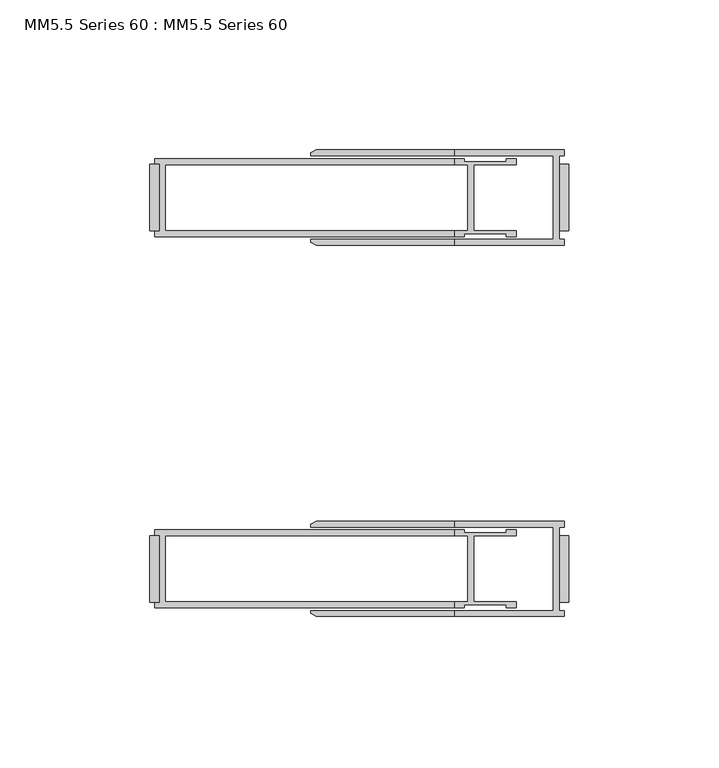
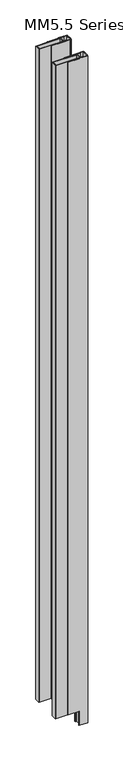
"""IFC4 building model written with IfcOpenShell, lengths in millimetres: proxy geometry, MM5.5 Series 60 : MM5.5 Series 60."""

from ifc_helpers import new_model, si_unit, frame, origin, origin_with_axes, place, context, project, spatial, polyline, outline, extrude, faceted_brep, source, transform, mapped, element, save


def mm5_5_series_60_mm5_5_series_60_e2575cb1(model_context):
    return source(origin(), model_context, "Body", "SolidModel", [
        faceted_brep([(-5.159375, 75.803125, 3048.0), (-5.159375, 48.021875, 3048.0), (-38.1, 48.021875, 3048.0), (-38.1, 46.0375, 3048.0), (-1.5875, 46.0375, 3048.0), (-1.5875, 48.021875, 3048.0), (-3.175, 48.021875, 3048.0), (-3.175, 75.803125, 3048.0), (-1.5875, 75.803125, 3048.0), (-1.5875, 77.7875, 3048.0), (-38.1, 77.7875, 3048.0), (-38.1, 75.803125, 3048.0), (-1.5875, 77.7875, 0.0), (-1.5875, 75.803125, 0.0), (-3.175, 75.803125, 0.0), (-3.175, 48.021875, 0.0), (-1.5875, 48.021875, 0.0), (-1.5875, 46.0375, 0.0), (-38.1, 46.0375, 0.0), (-38.1, 48.021875, 0.0), (-5.159375, 48.021875, 0.0), (-5.159375, 75.803125, 0.0), (-38.1, 75.803125, 0.0), (-38.1, 77.7875, 0.0), (-84.3041371, 77.7875, 63.5), (-86.0226562, 76.7953125, 63.5), (-86.0226562, 76.7953125, 3047.20625), (-84.3041371, 77.7875, 3047.20625), (-86.0226562, 75.803125, 63.5), (-86.0226562, 75.803125, 3047.20625), (-38.1, 75.803125, 3047.20625), (-38.1, 75.803125, 63.5), (-38.1, 48.021875, 63.5), (-86.0226562, 48.021875, 63.5), (-86.0226562, 48.021875, 3047.20625), (-38.1, 48.021875, 3047.20625), (-86.0226562, 47.0296875, 63.5), (-86.0226562, 47.0296875, 3047.20625), (-84.3041371, 46.0375, 63.5), (-84.3041371, 46.0375, 3047.20625), (-38.1, 46.0375, 3047.20625), (-38.1, 46.0375, 63.5), (-38.1, 77.7875, 63.5), (-38.1, 77.7875, 3047.20625)], [[[0, 1, 2, 3, 4, 5, 6, 7, 8, 9, 10, 11]], [[12, 13, 14, 15, 16, 17, 18, 19, 20, 21, 22, 23]], [[24, 25, 26, 27]], [[25, 28, 29, 26]], [[21, 0, 11, 30, 29, 28, 31, 22]], [[1, 0, 21, 20]], [[1, 20, 19, 32, 33, 34, 35, 2]], [[33, 36, 37, 34]], [[36, 38, 39, 37]], [[17, 4, 3, 40, 39, 38, 41, 18]], [[5, 4, 17, 16]], [[6, 5, 16, 15]], [[7, 6, 15, 14]], [[8, 7, 14, 13]], [[9, 8, 13, 12]], [[9, 12, 23, 42, 24, 27, 43, 10]], [[41, 32, 19, 18]], [[31, 42, 23, 22]], [[32, 41, 38, 36, 33]], [[42, 31, 28, 25, 24]], [[40, 35, 34, 37, 39]], [[30, 43, 27, 26, 29]], [[35, 40, 3, 2]], [[43, 30, 11, 10]]]),
        faceted_brep([(-5.159375, -48.021875, 3048.0), (-5.159375, -75.803125, 3048.0), (-38.1, -75.803125, 3048.0), (-38.1, -77.7875, 3048.0), (-1.5875, -77.7875, 3048.0), (-1.5875, -75.803125, 3048.0), (-3.175, -75.803125, 3048.0), (-3.175, -48.021875, 3048.0), (-1.5875, -48.021875, 3048.0), (-1.5875, -46.0375, 3048.0), (-38.1, -46.0375, 3048.0), (-38.1, -48.021875, 3048.0), (-1.5875, -46.0375, 0.0), (-1.5875, -48.021875, 0.0), (-3.175, -48.021875, 0.0), (-3.175, -75.803125, 0.0), (-1.5875, -75.803125, 0.0), (-1.5875, -77.7875, 0.0), (-38.1, -77.7875, 0.0), (-38.1, -75.803125, 0.0), (-5.159375, -75.803125, 0.0), (-5.159375, -48.021875, 0.0), (-38.1, -48.021875, 0.0), (-38.1, -46.0375, 0.0), (-84.3041371, -46.0375, 63.5), (-86.0226562, -47.0296875, 63.5), (-86.0226562, -47.0296875, 3047.20625), (-84.3041371, -46.0375, 3047.20625), (-86.0226562, -48.021875, 63.5), (-86.0226562, -48.021875, 3047.20625), (-38.1, -48.021875, 3047.20625), (-38.1, -48.021875, 63.5), (-38.1, -75.803125, 63.5), (-86.0226562, -75.803125, 63.5), (-86.0226562, -75.803125, 3047.20625), (-38.1, -75.803125, 3047.20625), (-86.0226562, -76.7953125, 63.5), (-86.0226562, -76.7953125, 3047.20625), (-84.3041371, -77.7875, 63.5), (-84.3041371, -77.7875, 3047.20625), (-38.1, -77.7875, 3047.20625), (-38.1, -77.7875, 63.5), (-38.1, -46.0375, 63.5), (-38.1, -46.0375, 3047.20625)], [[[0, 1, 2, 3, 4, 5, 6, 7, 8, 9, 10, 11]], [[12, 13, 14, 15, 16, 17, 18, 19, 20, 21, 22, 23]], [[24, 25, 26, 27]], [[25, 28, 29, 26]], [[21, 0, 11, 30, 29, 28, 31, 22]], [[1, 0, 21, 20]], [[1, 20, 19, 32, 33, 34, 35, 2]], [[33, 36, 37, 34]], [[36, 38, 39, 37]], [[17, 4, 3, 40, 39, 38, 41, 18]], [[5, 4, 17, 16]], [[6, 5, 16, 15]], [[7, 6, 15, 14]], [[8, 7, 14, 13]], [[9, 8, 13, 12]], [[9, 12, 23, 42, 24, 27, 43, 10]], [[41, 32, 19, 18]], [[31, 42, 23, 22]], [[32, 41, 38, 36, 33]], [[42, 31, 28, 25, 24]], [[40, 35, 34, 37, 39]], [[30, 43, 27, 26, 29]], [[35, 40, 3, 2]], [[43, 30, 11, 10]]]),
        extrude(outline(polyline([(-3.175, 50.8), (-3.175, 73.025), (0.0, 73.025), (0.0, 50.8), (-3.175, 50.8)])), origin_with_axes(), (0.0, 0.0, 1.0), 3048.0),
        extrude(outline(polyline([(-3.175, -50.8), (0.0, -50.8), (0.0, -73.025), (-3.175, -73.025), (-3.175, -50.8)])), origin_with_axes(), (0.0, 0.0, 1.0), 3048.0),
        extrude(outline(polyline([(-139.7, 50.8), (-139.7, 73.025), (-136.525, 73.025), (-136.525, 50.8), (-139.7, 50.8)])), frame((0.0, 0.0, 63.5), z_axis=(0.0, 0.0, 1.0), x_axis=(1.0, 0.0, 0.0)), (0.0, 0.0, 1.0), 2983.70625),
        extrude(outline(polyline([(-136.525, -50.8), (-136.525, -73.025), (-139.7, -73.025), (-139.7, -50.8), (-136.525, -50.8)])), frame((0.0, 0.0, 63.5), z_axis=(0.0, 0.0, 1.0), x_axis=(1.0, 0.0, 0.0)), (0.0, 0.0, 1.0), 2983.70625),
        faceted_brep([(-34.8257812, 48.9148437, 3048.0), (-34.8257812, 49.9070312, 3048.0), (-20.8359375, 49.9070312, 3048.0), (-20.8359375, 48.9148437, 3048.0), (-17.4625, 48.9148437, 3048.0), (-17.4625, 50.8992187, 3048.0), (-31.6507812, 50.8992187, 3048.0), (-31.6507812, 72.9257812, 3048.0), (-17.4625, 72.9257812, 3048.0), (-17.4625, 74.9101562, 3048.0), (-20.8359375, 74.9101562, 3048.0), (-20.8359375, 73.9179687, 3048.0), (-34.8257812, 73.9179687, 3048.0), (-34.8257812, 74.9101562, 3048.0), (-38.1, 74.9101562, 3048.0), (-38.1, 72.9257812, 3048.0), (-33.6351562, 72.9257812, 3048.0), (-33.6351562, 50.8992187, 3048.0), (-38.1, 50.8992187, 3048.0), (-38.1, 48.9148437, 3048.0), (-34.8257812, 74.9101562, 0.0), (-34.8257812, 73.9179687, 0.0), (-20.8359375, 73.9179687, 0.0), (-20.8359375, 74.9101562, 0.0), (-17.4625, 74.9101562, 0.0), (-17.4625, 72.9257812, 0.0), (-31.6507812, 72.9257812, 0.0), (-31.6507812, 50.8992187, 0.0), (-17.4625, 50.8992187, 0.0), (-17.4625, 48.9148437, 0.0), (-20.8359375, 48.9148437, 0.0), (-20.8359375, 49.9070312, 0.0), (-34.8257812, 49.9070312, 0.0), (-34.8257812, 48.9148437, 0.0), (-38.1, 48.9148437, 0.0), (-38.1, 50.8992187, 0.0), (-33.6351562, 50.8992187, 0.0), (-33.6351562, 72.9257812, 0.0), (-38.1, 72.9257812, 0.0), (-38.1, 74.9101562, 0.0), (-138.1125, 48.9148437, 3047.20625), (-138.1125, 50.8706437, 3047.20625), (-138.1125, 50.8706437, 63.5), (-138.1125, 48.9148437, 63.5), (-38.1, 48.9148437, 3047.20625), (-38.1, 48.9148437, 63.5), (-38.1, 74.9101562, 63.5), (-138.1125, 74.9101562, 63.5), (-138.1125, 74.9101562, 3047.20625), (-38.1, 74.9101562, 3047.20625), (-138.1125, 72.9543562, 3047.20625), (-138.1125, 72.9543562, 63.5), (-136.525, 72.9543562, 3047.20625), (-136.525, 72.9543562, 63.5), (-136.525, 50.8706437, 3047.20625), (-136.525, 50.8706437, 63.5), (-38.1, 72.9257812, 3047.20625), (-134.540625, 72.9257812, 3047.20625), (-134.540625, 72.9257812, 63.5), (-38.1, 72.9257812, 63.5), (-38.1, 50.8992187, 63.5), (-134.540625, 50.8992187, 63.5), (-134.540625, 50.8992187, 3047.20625), (-38.1, 50.8992187, 3047.20625)], [[[0, 1, 2, 3, 4, 5, 6, 7, 8, 9, 10, 11, 12, 13, 14, 15, 16, 17, 18, 19]], [[20, 21, 22, 23, 24, 25, 26, 27, 28, 29, 30, 31, 32, 33, 34, 35, 36, 37, 38, 39]], [[40, 41, 42, 43]], [[33, 0, 19, 44, 40, 43, 45, 34]], [[1, 0, 33, 32]], [[2, 1, 32, 31]], [[3, 2, 31, 30]], [[4, 3, 30, 29]], [[5, 4, 29, 28]], [[6, 5, 28, 27]], [[7, 6, 27, 26]], [[8, 7, 26, 25]], [[9, 8, 25, 24]], [[10, 9, 24, 23]], [[11, 10, 23, 22]], [[12, 11, 22, 21]], [[13, 12, 21, 20]], [[13, 20, 39, 46, 47, 48, 49, 14]], [[50, 48, 47, 51]], [[52, 50, 51, 53]], [[54, 52, 53, 55]], [[41, 54, 55, 42]], [[37, 16, 15, 56, 57, 58, 59, 38]], [[17, 16, 37, 36]], [[17, 36, 35, 60, 61, 62, 63, 18]], [[57, 62, 61, 58]], [[56, 49, 48, 50, 52, 54, 41, 40, 44, 63, 62, 57]], [[49, 56, 15, 14]], [[63, 44, 19, 18]], [[59, 46, 39, 38]], [[45, 60, 35, 34]], [[46, 59, 58, 61, 60, 45, 43, 42, 55, 53, 51, 47]]]),
        faceted_brep([(-34.8257812, -74.9101563, 3048.0), (-34.8257812, -73.9179688, 3048.0), (-20.8359375, -73.9179688, 3048.0), (-20.8359375, -74.9101563, 3048.0), (-17.4625, -74.9101563, 3048.0), (-17.4625, -72.9257813, 3048.0), (-31.6507812, -72.9257813, 3048.0), (-31.6507812, -50.8992188, 3048.0), (-17.4625, -50.8992188, 3048.0), (-17.4625, -48.9148438, 3048.0), (-20.8359375, -48.9148438, 3048.0), (-20.8359375, -49.9070313, 3048.0), (-34.8257812, -49.9070313, 3048.0), (-34.8257812, -48.9148438, 3048.0), (-38.1, -48.9148438, 3048.0), (-38.1, -50.8992188, 3048.0), (-33.6351562, -50.8992188, 3048.0), (-33.6351562, -72.9257813, 3048.0), (-38.1, -72.9257813, 3048.0), (-38.1, -74.9101563, 3048.0), (-34.8257812, -48.9148438, 0.0), (-34.8257812, -49.9070313, 0.0), (-20.8359375, -49.9070313, 0.0), (-20.8359375, -48.9148438, 0.0), (-17.4625, -48.9148438, 0.0), (-17.4625, -50.8992188, 0.0), (-31.6507812, -50.8992188, 0.0), (-31.6507812, -72.9257813, 0.0), (-17.4625, -72.9257813, 0.0), (-17.4625, -74.9101563, 0.0), (-20.8359375, -74.9101563, 0.0), (-20.8359375, -73.9179688, 0.0), (-34.8257812, -73.9179688, 0.0), (-34.8257812, -74.9101563, 0.0), (-38.1, -74.9101563, 0.0), (-38.1, -72.9257813, 0.0), (-33.6351562, -72.9257813, 0.0), (-33.6351562, -50.8992188, 0.0), (-38.1, -50.8992188, 0.0), (-38.1, -48.9148438, 0.0), (-138.1125, -74.9101563, 3047.20625), (-138.1125, -72.9543563, 3047.20625), (-138.1125, -72.9543563, 63.5), (-138.1125, -74.9101563, 63.5), (-38.1, -74.9101563, 3047.20625), (-38.1, -74.9101563, 63.5), (-38.1, -48.9148438, 63.5), (-138.1125, -48.9148438, 63.5), (-138.1125, -48.9148438, 3047.20625), (-38.1, -48.9148438, 3047.20625), (-138.1125, -50.8706438, 3047.20625), (-138.1125, -50.8706438, 63.5), (-136.525, -50.8706438, 3047.20625), (-136.525, -50.8706438, 63.5), (-136.525, -72.9543563, 3047.20625), (-136.525, -72.9543563, 63.5), (-38.1, -72.9257813, 63.5), (-134.540625, -72.9257813, 63.5), (-134.540625, -72.9257813, 3047.20625), (-38.1, -72.9257813, 3047.20625), (-134.540625, -50.8992188, 3047.20625), (-134.540625, -50.8992188, 63.5), (-38.1, -50.8992188, 3047.20625), (-38.1, -50.8992188, 63.5)], [[[0, 1, 2, 3, 4, 5, 6, 7, 8, 9, 10, 11, 12, 13, 14, 15, 16, 17, 18, 19]], [[20, 21, 22, 23, 24, 25, 26, 27, 28, 29, 30, 31, 32, 33, 34, 35, 36, 37, 38, 39]], [[40, 41, 42, 43]], [[33, 0, 19, 44, 40, 43, 45, 34]], [[1, 0, 33, 32]], [[2, 1, 32, 31]], [[3, 2, 31, 30]], [[4, 3, 30, 29]], [[5, 4, 29, 28]], [[6, 5, 28, 27]], [[7, 6, 27, 26]], [[8, 7, 26, 25]], [[9, 8, 25, 24]], [[10, 9, 24, 23]], [[11, 10, 23, 22]], [[12, 11, 22, 21]], [[13, 12, 21, 20]], [[13, 20, 39, 46, 47, 48, 49, 14]], [[50, 48, 47, 51]], [[52, 50, 51, 53]], [[54, 52, 53, 55]], [[41, 54, 55, 42]], [[17, 36, 35, 56, 57, 58, 59, 18]], [[60, 58, 57, 61]], [[37, 16, 15, 62, 60, 61, 63, 38]], [[17, 16, 37, 36]], [[44, 59, 58, 60, 62, 49, 48, 50, 52, 54, 41, 40]], [[59, 44, 19, 18]], [[49, 62, 15, 14]], [[45, 56, 35, 34]], [[63, 46, 39, 38]], [[56, 45, 43, 42, 55, 53, 51, 47, 46, 63, 61, 57]]]),
    ])


if __name__ == "__main__":
    model = new_model("IFC4")
    model_context = context("Model", 3, world=origin())
    ifc_project = project(units=[si_unit("LENGTHUNIT", "METRE", prefix="MILLI")], contexts=[model_context])
    site = spatial("IfcSite", under=ifc_project)
    building = spatial("IfcBuilding", under=site)
    placement = place(None, origin())
    mm5_5_series_60_mm5_5_series_60_shape = mm5_5_series_60_mm5_5_series_60_e2575cb1(model_context)
    element("IfcBuildingElementProxy", 1, Name="MM5.5 Series 60 : MM5.5 Series 60", ObjectType="MM5.5 Series 60 : MM5.5 Series 60", at=placement, inside=building, context=model_context, shape_type="MappedRepresentation", body=[
        mapped(mm5_5_series_60_mm5_5_series_60_shape, transform((0.0, 0.0, 0.0), x_axis=(1.0, 0.0, 0.0), y_axis=(0.0, 1.0, 0.0), z_axis=(0.0, 0.0, 1.0))),
    ])
    save(model, "model.ifc")
